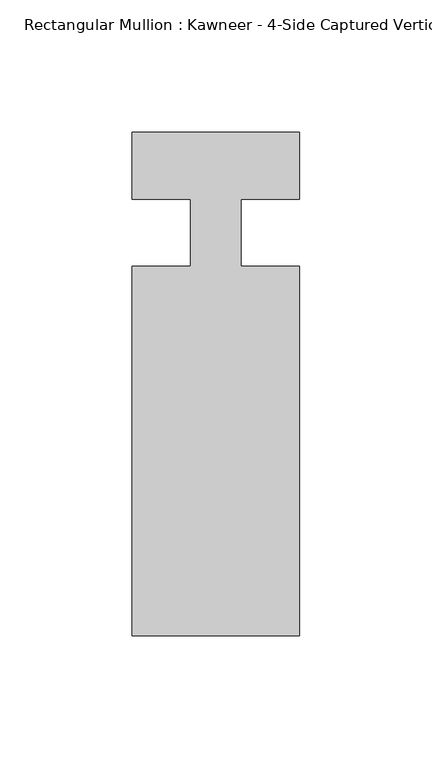
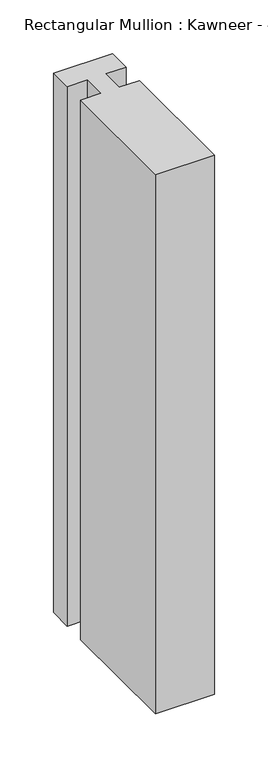
"""IFC4 building model written with IfcOpenShell, lengths in millimetres: member geometry."""

from ifc_helpers import new_model, si_unit, frame, origin, place, context, project, spatial, polyline, outline, extrude, source, transform, mapped, element, save


def member_0986f8f4(model_context):
    return source(origin(), model_context, "Body", "SweptSolid", [
        extrude(outline(polyline([(-9.5251132, 12.7), (-31.75, 12.7), (-31.75, 38.1), (31.75, 38.1), (31.75, 12.7), (9.5251132, 12.7), (9.5251132, -12.7), (31.75, -12.7), (31.75, -152.399995), (-31.75, -152.399995), (-31.75, -12.7), (-9.5251132, -12.7), (-9.5251132, 12.7)])), frame((0.0, 0.0, -614.8916289), z_axis=(0.0, 0.0, 1.0), x_axis=(1.0, 0.0, 0.0)), (0.0, 0.0, 1.0), 614.8916289),
    ])


if __name__ == "__main__":
    model = new_model("IFC4")
    model_context = context("Model", 3, world=origin())
    ifc_project = project(units=[si_unit("LENGTHUNIT", "METRE", prefix="MILLI")], contexts=[model_context])
    site = spatial("IfcSite", under=ifc_project)
    building = spatial("IfcBuilding", under=site)
    placement = place(None, origin())
    member_shape = member_0986f8f4(model_context)
    element("IfcMember", 1, ObjectType="Rectangular Mullion : Kawneer - 4-Side Captured Vertical Mullion - 7 1/2\"", at=placement, inside=building, context=model_context, shape_type="MappedRepresentation", body=[
        mapped(member_shape, transform((0.0, 0.0, 0.0), x_axis=(1.0, 0.0, 0.0), y_axis=(0.0, 1.0, 0.0), z_axis=(0.0, 0.0, 1.0))),
    ])
    save(model, "model.ifc")
